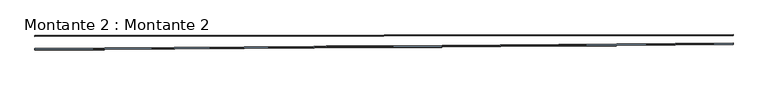
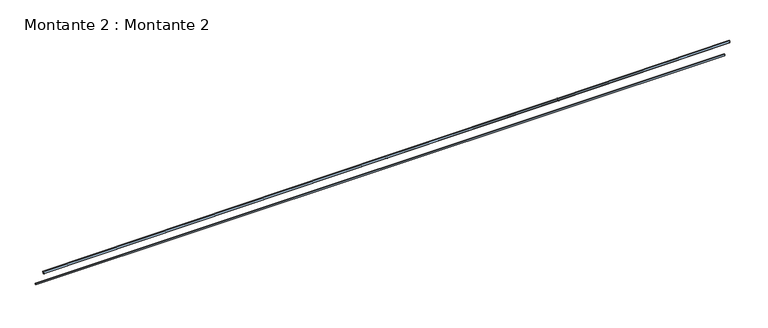
"""IFC4 building model written with IfcOpenShell, lengths in millimetres: window geometry, Montante 2 : Montante 2."""

from ifc_helpers import new_model, si_unit, frame, origin, place, context, project, spatial, polyline, outline, extrude, source, transform, mapped, element, save
from ifc_brep_helpers import plane_surface, spline_curve, spline_surface, advanced_brep


def montante_2_montante_2_e7855387(model_context):
    return source(origin(), model_context, "Body", "SolidModel", [
        advanced_brep(
        [(-98030.5090229, 122267.3747173, 13644.1087591), (-98030.3189738, 122243.1977687, 13649.1045881), (-98029.947675, 122199.1081323, 13693.1952817), (-98030.0410749, 122220.8565686, 13798.4487999), (-98030.6321925, 122296.0551032, 13782.9100723), (-55593.3175227, 122597.1178575, 13613.8486548), (-55593.4391172, 122625.7982558, 13752.6499668), (-55592.8363835, 122550.5998118, 13768.188686), (-55592.744178, 122528.8513661, 13662.9351687), (-55593.1237388, 122572.9409381, 13618.8444811)],
        [
            (0, 1),
            (1, 2),
            (2, 3),
            (3, 4),
            (4, 0),
            (5, 6),
            (6, 7),
            (7, 8),
            (8, 9),
            (9, 5),
            (0, 5, spline_curve(3, [(-98030.5090229, 122267.3747173, 13644.1087591), (-90957.639048641, 122321.93998578, 13639.110311702), (-83884.769754447, 122376.61130605, 13634.131865206), (-73275.470296277, 122458.935969925, 13626.636240847), (-69739.037889866, 122486.43047136, 13624.133041582), (-62666.175670934, 122541.62212984, 13619.062232018), (-59129.745856771, 122569.319286333, 13616.494622882), (-55593.3175227, 122597.1178575, 13613.8486548)], [4, 2, 2, 4], [0.0, 69.61693773750903, 104.42540660626355, 139.23387547501807])),
            (9, 1, spline_curve(3, [(-55593.1237388, 122572.9409381, 13618.8444811), (-59129.552615883, 122545.142362292, 13621.490450342), (-62665.982960422, 122517.445201821, 13624.058059518), (-69738.846095978, 122462.253536379, 13629.128869082), (-73275.278887465, 122434.759031946, 13631.632069047), (-83884.57922977, 122352.434361108, 13639.127693406), (-90957.448746599, 122297.763039501, 13644.106140702), (-98030.3189738, 122243.1977687, 13649.1045881)], [4, 2, 2, 4], [0.0, 34.80846886875452, 69.61693773750903, 139.23387547501807])),
            (8, 2, spline_curve(3, [(-55592.744178, 122528.8513661, 13662.9351687), (-59129.174560911, 122501.052778241, 13665.581138316), (-62665.606227282, 122473.355607963, 13668.14874966), (-69738.471485718, 122418.163925437, 13673.21955994), (-73274.90507522, 122390.669414325, 13675.722760994), (-83884.20718166, 122308.344731851, 13683.218386412), (-90957.077037495, 122253.673406172, 13688.196833596), (-98029.947675, 122199.1081323, 13693.1952817)], [4, 2, 2, 4], [0.0, 34.80847378881893, 69.61694757763786, 139.23389515527572])),
            (7, 3, spline_curve(3, [(-55592.8363835, 122550.5998118, 13768.188686), (-59129.267893726, 122522.801215042, 13770.834657071), (-62665.70019935, 122495.104039477, 13773.402268177), (-69738.56604625, 122439.912353123, 13778.473079023), (-73274.999586244, 122412.417842401, 13780.976279616), (-83884.301388412, 122330.093161198, 13788.471905869), (-90957.17083517, 122275.421839269, 13793.450351239), (-98030.0410749, 122220.8565686, 13798.4487999)], [4, 2, 2, 4], [0.0, 34.80847766705443, 69.61695533410887, 139.23391066821773])),
            (6, 4, spline_curve(3, [(-55593.4391172, 122625.7982558, 13752.6499668), (-59129.868937762, 122597.999672898, 13755.295936386), (-62666.299594169, 122570.302509367, 13757.863545789), (-69739.162590831, 122515.110846033, 13762.934356011), (-73275.594930639, 122487.616344451, 13765.437555883), (-83884.893989022, 122405.291683798, 13772.933177735), (-90957.762742347, 122350.620367169, 13777.911624253), (-98030.6321925, 122296.0551032, 13782.9100723)], [4, 2, 2, 4], [0.0, 34.80847339292934, 69.61694678585869, 139.23389357171737])),
        ],
        [
            plane_surface(frame((-98029.9978904, 122210.800927, 13749.7836155), z_axis=(-0.9999699931180485, -0.007714496649101021, 0.0007066858859346769), x_axis=(0.007746796982648387, -0.9958006100314106, 0.09122024006535076))),
            plane_surface(frame((-55592.7937512, 122540.5441657, 13719.523502), z_axis=(0.9999688267645346, 0.007860389653188759, -0.0007481802327012081), x_axis=(0.007895866925581843, -0.9957994490355011, 0.09122013256998684))),
            spline_surface(3, 3, [[(-98030.5090229, 122267.3747173, 13644.1087591), (-98030.493185469, 122265.359971586, 13644.525078182), (-98030.477348131, 122263.345225914, 13644.941397218), (-98030.445673269, 122259.315734486, 13645.774035382), (-98030.429835831, 122257.300988714, 13646.190354518), (-98030.398160969, 122253.271497286, 13647.022992682), (-98030.382323531, 122251.256751614, 13647.439311718), (-98030.350648669, 122247.227260186, 13648.271949882), (-98030.334811231, 122245.212514414, 13648.688269018), (-98030.3189738, 122243.1977687, 13649.1045881)], [(-90957.639049362, 122321.939986344, 13639.110311729), (-90957.623190757, 122319.925240793, 13639.526630796), (-90957.607332246, 122317.910495285, 13639.942949817), (-90957.575615036, 122313.881004183, 13640.775587951), (-90957.559756424, 122311.866258575, 13641.191907072), (-90957.528039214, 122307.836767473, 13642.024545206), (-90957.512180603, 122305.822021965, 13642.440864227), (-90957.480463393, 122301.792530863, 13643.273502361), (-90957.464604781, 122299.777785255, 13643.689821483), (-90957.448746176, 122297.763039704, 13644.106140549)], [(-83884.769754824, 122376.611306354, 13634.13186448), (-83884.753872698, 122374.596560985, 13634.54818353), (-83884.738005569, 122372.581815482, 13634.964502634), (-83884.706241318, 122368.552324743, 13635.797140735), (-83884.690374189, 122366.53757924, 13636.213459738), (-83884.658609938, 122362.508088502, 13637.046097839), (-83884.642742809, 122360.493343098, 13637.462416943), (-83884.610978557, 122356.46385236, 13638.295055043), (-83884.595111329, 122354.449106857, 13638.711374047), (-83884.579229203, 122352.434361487, 13639.127693098)], [(-73275.470296088, 122458.935969773, 13626.63624121), (-73275.454347892, 122456.921224916, 13627.052560213), (-73275.438392225, 122454.9064801, 13627.468879255), (-73275.406495832, 122450.876990387, 13628.301517261), (-73275.390540165, 122448.862245571, 13628.717836202), (-73275.358643772, 122444.832755858, 13629.550474209), (-73275.342688105, 122442.818011142, 13629.96679325), (-73275.310791712, 122438.788521429, 13630.799431257), (-73275.294835945, 122436.773776613, 13631.215750198), (-73275.278887749, 122434.759031756, 13631.632069201)], [(-69739.037890348, 122486.430471476, 13624.133041346), (-69739.021909162, 122484.415726875, 13624.549360326), (-69739.005923056, 122482.400982282, 13624.965679349), (-69738.973960685, 122478.371493082, 13625.798317309), (-69738.95797448, 122476.356748589, 13626.214636232), (-69738.926012109, 122472.327259388, 13627.047274192), (-69738.910026003, 122470.312514795, 13627.463593215), (-69738.878063632, 122466.283025594, 13628.296231175), (-69738.862077426, 122464.268281002, 13628.712550198), (-69738.846096241, 122462.253536401, 13629.128869178)], [(-62666.175670452, 122541.622129724, 13619.062232254), (-62666.159609607, 122539.607385746, 13619.478551176), (-62666.143553774, 122537.592641697, 13619.894870148), (-62666.111432084, 122533.563153739, 13620.727507993), (-62666.095376151, 122531.54840979, 13621.143826866), (-62666.063254461, 122527.518921833, 13621.97646471), (-62666.047198627, 122525.504177784, 13622.392783683), (-62666.015076937, 122521.474689826, 13623.225421527), (-62665.999021004, 122519.459945778, 13623.6417405), (-62665.982960159, 122517.445201799, 13624.058059422)], [(-59129.74585635, 122569.319286246, 13616.494623057), (-59129.729752959, 122567.3045426, 13616.910941948), (-59129.713649525, 122565.289799024, 13617.327260768), (-59129.681442744, 122561.260311732, 13618.15989855), (-59129.66533931, 122559.245568057, 13618.576217469), (-59129.633132529, 122555.216080765, 13619.408855251), (-59129.617029195, 122553.201337089, 13619.825174171), (-59129.584822414, 122549.171849798, 13620.657811953), (-59129.56871898, 122547.157106222, 13621.074130872), (-59129.552615589, 122545.142362576, 13621.490449763)], [(-55593.3175227, 122597.1178575, 13613.8486548), (-55593.301374048, 122595.10311421, 13614.264973657), (-55593.285225352, 122593.08837099, 13614.681292443), (-55593.252928048, 122589.05888441, 13615.513930157), (-55593.236779352, 122587.04414109, 13615.930249043), (-55593.204482048, 122583.01465451, 13616.762886757), (-55593.188333452, 122580.99991119, 13617.179205643), (-55593.156036148, 122576.97042461, 13618.011843357), (-55593.139887452, 122574.95568139, 13618.428162243), (-55593.1237388, 122572.9409381, 13618.8444811)]], [4, 2, 2, 4], [4, 2, 2, 2, 4], [0.0, 69.61693773750903, 104.42540660626355, 139.23387547501807], [0.0, 0.02024970801959495, 0.0404994160391899, 0.06074912405878485, 0.0809988320783798]),
            spline_surface(3, 3, [[(-98030.3189738, 122243.1977687, 13649.1045881), (-98030.288032236, 122239.523632334, 13652.778812569), (-98030.257090664, 122235.849495966, 13656.453037031), (-98030.195207536, 122228.501223234, 13663.801485969), (-98030.164265964, 122224.827086866, 13667.475710431), (-98030.102382836, 122217.478814134, 13674.824159369), (-98030.071441264, 122213.804677766, 13678.498383831), (-98030.009558136, 122206.456405034, 13685.846832769), (-98029.978616564, 122202.782268666, 13689.521057231), (-98029.947675, 122199.1081323, 13693.1952817)], [(-90957.448746176, 122297.763039704, 13644.106140549), (-90957.417770477, 122294.088903602, 13647.780364994), (-90957.386794768, 122290.414767497, 13651.454589432), (-90957.324843369, 122283.066495292, 13658.803038321), (-90957.29386766, 122279.392359187, 13662.47726276), (-90957.231916261, 122272.044086982, 13669.825711649), (-90957.200940552, 122268.369950877, 13673.499936088), (-90957.138989153, 122261.021678672, 13680.848384977), (-90957.108013444, 122257.347542567, 13684.522609415), (-90957.077037745, 122253.673406464, 13688.19683386)], [(-83884.579229203, 122352.434361487, 13639.127693098), (-83884.548215339, 122348.760225679, 13642.801917515), (-83884.517231371, 122345.086089613, 13646.476141989), (-83884.455203644, 122337.737817996, 13653.824590824), (-83884.424219576, 122334.06368193, 13657.498815297), (-83884.362191849, 122326.715410313, 13664.847264133), (-83884.331207881, 122323.041274347, 13668.521488506), (-83884.269180153, 122315.69300273, 13675.869937341), (-83884.238196085, 122312.018866664, 13679.544161815), (-83884.207182222, 122308.344730856, 13683.218386232)], [(-73275.278887749, 122434.759031756, 13631.632069201), (-73275.247741652, 122431.084896974, 13635.306293525), (-73275.216580693, 122427.41076228, 13638.980517873), (-73275.154288499, 122420.062492715, 13646.328966521), (-73275.123127441, 122416.388358022, 13650.003190869), (-73275.060835247, 122409.040088457, 13657.351639516), (-73275.029674288, 122405.365953863, 13661.025863764), (-73274.967382095, 122398.017684298, 13668.374312412), (-73274.936221036, 122394.343549605, 13672.04853676), (-73274.905074939, 122390.669414822, 13675.722761084)], [(-69738.846096241, 122462.253536401, 13629.128869178), (-69738.814880864, 122458.579402156, 13632.803093453), (-69738.783658869, 122454.905267978, 13636.477317695), (-69738.721228115, 122447.556999489, 13643.825766244), (-69738.69000612, 122443.88286531, 13647.499990486), (-69738.627575366, 122436.534596821, 13654.848439036), (-69738.596353371, 122432.860462642, 13658.522663278), (-69738.533922617, 122425.512194153, 13665.871111827), (-69738.502700523, 122421.838059974, 13669.545336169), (-69738.471485146, 122418.16392573, 13673.219560444)], [(-62665.982960159, 122517.445201799, 13624.058059422), (-62665.951563586, 122513.771068967, 13627.732283566), (-62665.920173681, 122510.096936098, 13631.406507687), (-62665.857380535, 122502.748670435, 13638.754955974), (-62665.82599063, 122499.074537566, 13642.429180095), (-62665.763197483, 122491.726271903, 13649.777628383), (-62665.731807579, 122488.052139034, 13653.451852504), (-62665.669014432, 122480.703873371, 13660.800300791), (-62665.637624428, 122477.029740502, 13664.474525012), (-62665.606227854, 122473.35560767, 13668.148749156)], [(-59129.552615589, 122545.142362576, 13621.490449763), (-59129.521110984, 122541.468230589, 13625.164673828), (-59129.489606387, 122537.794098604, 13628.83889788), (-59129.426597177, 122530.445834631, 13636.18734601), (-59129.39509258, 122526.771702646, 13639.861570062), (-59129.33208337, 122519.423438672, 13647.210018192), (-59129.300578773, 122515.749306687, 13650.884242243), (-59129.237569563, 122508.401042713, 13658.232690373), (-59129.206064966, 122504.726910728, 13661.906914425), (-59129.174560361, 122501.052778741, 13665.58113849)], [(-55593.1237388, 122572.9409381, 13618.8444811), (-55593.092108731, 122569.266807099, 13622.518705071), (-55593.060478669, 122565.592676101, 13626.192929029), (-55592.997218531, 122558.244414099, 13633.541376971), (-55592.965588469, 122554.570283101, 13637.215600929), (-55592.902328331, 122547.222021099, 13644.564048871), (-55592.870698269, 122543.547890101, 13648.238272829), (-55592.807438131, 122536.199628099, 13655.586720771), (-55592.775808069, 122532.525497101, 13659.260944729), (-55592.744178, 122528.8513661, 13662.9351687)]], [4, 2, 2, 4], [4, 2, 2, 2, 4], [0.0, 69.61694757763786, 104.42542136645679, 139.23389515527572], [0.0, 0.05114338485772118, 0.10228676971544236, 0.15343015457316353, 0.20457353943088472]),
            spline_surface(3, 3, [[(-98029.947675, 122199.1081323, 13693.1952817), (-98029.955458322, 122200.920501992, 13701.966408219), (-98029.963241678, 122202.732871708, 13710.737534781), (-98029.978808322, 122206.357611092, 13728.279787819), (-98029.986591578, 122208.169980808, 13737.050914281), (-98030.002158222, 122211.794720192, 13754.593167319), (-98030.009941578, 122213.607089908, 13763.364293881), (-98030.025508222, 122217.231829292, 13780.906546919), (-98030.033291578, 122219.044198908, 13789.677673381), (-98030.0410749, 122220.8565686, 13798.4487999)], [(-90957.077037745, 122253.673406464, 13688.19683386), (-90957.08485416, 122255.485775901, 13696.967960402), (-90957.09267061, 122257.298145362, 13705.739086988), (-90957.108303441, 122260.922884235, 13723.281340072), (-90957.11611979, 122262.735253696, 13732.052466558), (-90957.131752621, 122266.359992569, 13749.594719642), (-90957.139569071, 122268.17236203, 13758.365846228), (-90957.155201902, 122271.797100904, 13775.908099312), (-90957.163018351, 122273.609470264, 13784.679225798), (-90957.170834767, 122275.421839701, 13793.45035234)], [(-83884.207182222, 122308.344730856, 13683.218386232), (-83884.215034633, 122310.157100014, 13691.9895128), (-83884.222881484, 122311.969469194, 13700.760639329), (-83884.238586306, 122315.594207511, 13718.302892463), (-83884.246433158, 122317.40657669, 13727.074019092), (-83884.26213798, 122321.031315008, 13744.616272227), (-83884.269984831, 122322.843684287, 13753.387398756), (-83884.285689653, 122326.468422604, 13770.92965189), (-83884.293536505, 122328.280791784, 13779.700778419), (-83884.301388916, 122330.093160942, 13788.471904987)], [(-73274.905074939, 122390.669414822, 13675.722761084), (-73274.912949936, 122392.481783805, 13684.493887667), (-73274.920827706, 122394.294152741, 13693.265014218), (-73274.936577699, 122397.918890706, 13710.807267386), (-73274.944455469, 122399.731259643, 13719.578394037), (-73274.960205462, 122403.355997608, 13737.120647204), (-73274.968083232, 122405.168366645, 13745.891773755), (-73274.983833226, 122408.79310461, 13763.434026922), (-73274.991710995, 122410.605473546, 13772.205153473), (-73274.999585992, 122412.417842529, 13780.976280057)], [(-69738.471485146, 122418.16392573, 13673.219560444), (-69738.479361202, 122419.976294703, 13681.990687028), (-69738.487249318, 122421.788663585, 13690.761813612), (-69738.503001431, 122425.413401531, 13708.304066781), (-69738.510889548, 122427.225770413, 13717.075193364), (-69738.526641661, 122430.85050836, 13734.617446533), (-69738.534529777, 122432.662877242, 13743.388573116), (-69738.55028189, 122436.287615188, 13760.930826285), (-69738.558169906, 122438.09998407, 13769.701952868), (-69738.566045963, 122439.912353044, 13778.473079452)], [(-62665.606227854, 122473.35560767, 13668.148749156), (-62665.614062848, 122475.167976962, 13676.919875712), (-62665.621885831, 122476.980346351, 13685.691002248), (-62665.637555819, 122480.605084933, 13703.23325536), (-62665.645378802, 122482.417454322, 13712.004381896), (-62665.66104879, 122486.042192905, 13729.546635007), (-62665.668871773, 122487.854562294, 13738.317761544), (-62665.684541761, 122491.479300876, 13755.860014655), (-62665.692364643, 122493.291670265, 13764.631141192), (-62665.700199637, 122495.104039556, 13773.402267748)], [(-59129.174560361, 122501.052778741, 13665.58113849), (-59129.182338111, 122502.865148478, 13674.352265005), (-59129.190115879, 122504.677518189, 13683.123391486), (-59129.20567138, 122508.302257663, 13700.665644516), (-59129.213449147, 122510.114627373, 13709.436771097), (-59129.229004648, 122513.739366847, 13726.979024126), (-59129.236782316, 122515.551736557, 13735.750150608), (-59129.252337817, 122519.176476031, 13753.292403637), (-59129.260115584, 122520.988845842, 13762.063530119), (-59129.267893335, 122522.801215579, 13770.834656633)], [(-55592.744178, 122528.8513661, 13662.9351687), (-55592.751861794, 122530.663736576, 13671.706295145), (-55592.759545606, 122532.476107024, 13680.477421555), (-55592.774913194, 122536.100847976, 13698.019674445), (-55592.782597006, 122537.913218424, 13706.790800955), (-55592.797964594, 122541.537959376, 13724.333053845), (-55592.805648306, 122543.350329824, 13733.104180255), (-55592.821015894, 122546.975070776, 13750.646433145), (-55592.828699706, 122548.787441324, 13759.417559555), (-55592.8363835, 122550.5998118, 13768.188686)]], [4, 2, 2, 4], [4, 2, 2, 2, 4], [0.0, 69.61695533410887, 104.4254330011633, 139.23391066821773], [0.0, 0.08815371030587929, 0.17630742061175858, 0.2644611309176379, 0.35261484122351716]),
            spline_surface(3, 3, [[(-98030.0410749, 122220.8565686, 13798.4487999), (-98030.090334698, 122227.123113146, 13797.153905933), (-98030.139594502, 122233.389657754, 13795.859011967), (-98030.238114098, 122245.922746846, 13793.269224033), (-98030.287373902, 122252.189291354, 13791.974330067), (-98030.385893498, 122264.722380446, 13789.384542133), (-98030.435153302, 122270.988925054, 13788.089648167), (-98030.533672898, 122283.522014146, 13785.499860233), (-98030.582932702, 122289.788558654, 13784.204966267), (-98030.6321925, 122296.0551032, 13782.9100723)], [(-90957.170834767, 122275.421839701, 13793.45035234), (-90957.220160423, 122281.688383739, 13792.15545842), (-90957.269486084, 122287.954927839, 13790.860564501), (-90957.368137396, 122300.488015914, 13788.270776659), (-90957.417463057, 122306.754559914, 13786.97588274), (-90957.51611437, 122319.28764799, 13784.386094899), (-90957.565440031, 122325.55419209, 13783.09120098), (-90957.664091343, 122338.087280166, 13780.501413139), (-90957.713417004, 122344.353824166, 13779.20651922), (-90957.76274266, 122350.620368204, 13777.911625299)], [(-83884.301388916, 122330.093160942, 13788.471904987), (-83884.35078773, 122336.359704416, 13787.177011117), (-83884.400140009, 122342.62624822, 13785.882117231), (-83884.498937637, 122355.159335167, 13783.292329492), (-83884.548289817, 122361.425878971, 13781.997435607), (-83884.647087444, 122373.958965918, 13779.407647868), (-83884.696439724, 122380.225509822, 13778.112753982), (-83884.795237352, 122392.758596769, 13775.522966243), (-83884.844589532, 122399.025140573, 13774.228072357), (-83884.893988345, 122405.291684047, 13772.933178487)], [(-73274.999585992, 122412.417842529, 13780.976280057), (-73275.049190309, 122418.684384408, 13779.681386333), (-73275.098817972, 122424.950926074, 13778.386492643), (-73275.198026605, 122437.484009832, 13775.796705195), (-73275.247654168, 122443.750551499, 13774.501811505), (-73275.346862801, 122456.283635257, 13771.912024058), (-73275.396490465, 122462.550177023, 13770.617130368), (-73275.495699098, 122475.083260781, 13768.02734292), (-73275.545326661, 122481.349802448, 13766.73244923), (-73275.594930977, 122487.616344327, 13765.437555506)], [(-69738.566045963, 122439.912353044, 13778.473079452), (-69738.615752886, 122446.178894125, 13777.178185801), (-69738.665475333, 122452.445435041, 13775.883292145), (-69738.76488918, 122464.978517205, 13773.293504844), (-69738.814611526, 122471.24505822, 13771.998611187), (-69738.914025373, 122483.778140384, 13769.408823886), (-69738.96374772, 122490.0446813, 13768.113930329), (-69739.063161567, 122502.577763463, 13765.524143028), (-69739.112883913, 122508.844304479, 13764.229249371), (-69739.162590837, 122515.110845561, 13762.934355721)], [(-62665.700199637, 122495.104039556, 13773.402267748), (-62665.750154329, 122501.370578705, 13772.107374277), (-62665.800093652, 122507.637117928, 13770.812480777), (-62665.900003035, 122520.170196226, 13768.222693834), (-62665.949942259, 122526.436735549, 13766.927800335), (-62666.049851642, 122538.969813847, 13764.338013392), (-62666.099790865, 122545.23635307, 13763.043119993), (-62666.199700248, 122557.769431367, 13760.45333305), (-62666.249639472, 122564.03597069, 13759.158439551), (-62666.299594163, 122570.302509839, 13757.863546079)], [(-59129.267893335, 122522.801215579, 13770.834656633), (-59129.317980358, 122529.067753692, 13769.539763259), (-59129.368067375, 122535.334291786, 13768.244869892), (-59129.468241421, 122547.867368011, 13765.655083143), (-59129.518328438, 122554.133906106, 13764.360189776), (-59129.618502484, 122566.666982331, 13761.770403027), (-59129.668589501, 122572.933520425, 13760.47550966), (-59129.768763547, 122585.466596651, 13757.885722911), (-59129.818850664, 122591.733134745, 13756.590829544), (-59129.868937687, 122597.999672858, 13755.295936169)], [(-55592.8363835, 122550.5998118, 13768.188686), (-55592.886611302, 122556.866348806, 13766.893792731), (-55592.936839098, 122563.132885794, 13765.598899469), (-55593.037294702, 122575.665959806, 13763.009112931), (-55593.087522498, 122581.932496794, 13761.714219669), (-55593.187978102, 122594.465570806, 13759.124433131), (-55593.238205898, 122600.732107794, 13757.829539869), (-55593.338661502, 122613.265181806, 13755.239753331), (-55593.388889398, 122619.531718794, 13753.944860069), (-55593.4391172, 122625.7982558, 13752.6499668)]], [4, 2, 2, 4], [4, 2, 2, 2, 4], [0.0, 69.61694678585869, 104.42542017878803, 139.23389357171737], [0.0, 0.06298348047613676, 0.12596696095227353, 0.18895044142841028, 0.25193392190454705]),
            spline_surface(3, 3, [[(-98030.6321925, 122296.0551032, 13782.9100723), (-98030.621928374, 122293.665071042, 13771.343296198), (-98030.611664226, 122291.275038858, 13759.776520102), (-98030.591135974, 122286.494974542, 13736.642967898), (-98030.580871826, 122284.104942358, 13725.076191802), (-98030.560343574, 122279.324878042, 13701.942639598), (-98030.550079426, 122276.934845958, 13690.375863502), (-98030.529551174, 122272.154781642, 13667.242311298), (-98030.519287026, 122269.764749458, 13655.675535202), (-98030.5090229, 122267.3747173, 13644.1087591)], [(-90957.76274266, 122350.620368204, 13777.911625299), (-90957.752434893, 122348.230336382, 13766.344849166), (-90957.742127103, 122345.840304535, 13754.778073039), (-90957.721511569, 122341.060240892, 13731.644520774), (-90957.711203778, 122338.670209045, 13720.077744646), (-90957.690588244, 122333.890145402, 13696.944192381), (-90957.680280454, 122331.500113655, 13685.377416254), (-90957.65966492, 122326.720050012, 13662.243863989), (-90957.649357129, 122324.330018166, 13650.677087861), (-90957.639049362, 122321.939986344, 13639.110311729)], [(-83884.893988345, 122405.291684047, 13772.933178487), (-83884.88363311, 122402.901652592, 13761.366402322), (-83884.873285175, 122400.511621078, 13749.799626101), (-83884.852574704, 122395.731558169, 13726.66607377), (-83884.84222687, 122393.341526655, 13715.09929765), (-83884.821516399, 122388.561463746, 13691.965745318), (-83884.811168465, 122386.171432232, 13680.398969098), (-83884.790457994, 122381.391369323, 13657.265416766), (-83884.780110059, 122379.001337809, 13645.698640646), (-83884.769754824, 122376.611306354, 13634.13186448)], [(-73275.594930977, 122487.616344327, 13765.437555506), (-73275.584545957, 122485.226313104, 13753.870779319), (-73275.57415725, 122482.83628191, 13742.304003069), (-73275.55338721, 122478.056219466, 13719.170450695), (-73275.542998603, 122475.666188272, 13707.603674545), (-73275.522228563, 122470.886125827, 13684.470122171), (-73275.511839856, 122468.496094634, 13672.903345921), (-73275.491069815, 122463.716032189, 13649.769793547), (-73275.480681108, 122461.326000995, 13638.203017397), (-73275.470296088, 122458.935969773, 13626.63624121)], [(-69739.162590837, 122515.110845561, 13762.934355721), (-69739.152204419, 122512.720814351, 13751.367579532), (-69739.141802157, 122510.330783225, 13739.800803341), (-69739.121029322, 122505.550720804, 13716.667250964), (-69739.11062706, 122503.160689678, 13705.100474772), (-69739.089854225, 122498.380627258, 13681.966922395), (-69739.079451962, 122495.990596232, 13670.400146103), (-69739.058679128, 122491.210533812, 13647.266593727), (-69739.048276765, 122488.820502686, 13635.699817535), (-69739.037890348, 122486.430471476, 13624.133041346)], [(-62666.299594163, 122570.302509839, 13757.863546079), (-62666.289261896, 122567.91247821, 13746.296769929), (-62666.278945528, 122565.522446415, 13734.729993798), (-62666.258280993, 122560.742383156, 13711.596441498), (-62666.247964625, 122558.352351361, 13700.029665367), (-62666.227300091, 122553.572288102, 13676.896113066), (-62666.216983722, 122551.182256408, 13665.329336835), (-62666.196319188, 122546.402193149, 13642.195784535), (-62666.186002719, 122544.012161354, 13630.629008404), (-62666.175670452, 122541.622129724, 13619.062232254)], [(-59129.868937687, 122597.999672858, 13755.295936169), (-59129.858680909, 122595.609640641, 13743.729160073), (-59129.848424055, 122593.219608497, 13732.162383988), (-59129.827910499, 122588.439544062, 13709.028831795), (-59129.817653746, 122586.049511819, 13697.46205571), (-59129.79714019, 122581.269447384, 13674.328503517), (-59129.786883437, 122578.879415141, 13662.761727432), (-59129.766369881, 122574.099350706, 13639.628175238), (-59129.756113128, 122571.709318463, 13628.061399154), (-59129.74585635, 122569.319286246, 13616.494623057)], [(-55593.4391172, 122625.7982558, 13752.6499668), (-55593.428984325, 122623.408222609, 13741.083190796), (-55593.418851375, 122621.018189491, 13729.516414804), (-55593.398585625, 122616.238123109, 13706.382862796), (-55593.388452775, 122613.848089891, 13694.816086804), (-55593.368187025, 122609.068023509, 13671.682534796), (-55593.358054175, 122606.677990291, 13660.115758804), (-55593.337788425, 122601.897923909, 13636.982206796), (-55593.327655575, 122599.507890691, 13625.415430804), (-55593.3175227, 122597.1178575, 13613.8486548)]], [4, 2, 2, 4], [4, 2, 2, 2, 4], [0.0, 69.6169359660937, 104.42540394914056, 139.2338719321874], [0.0, 0.11625122810258279, 0.23250245620516558, 0.34875368430774834, 0.46500491241033115]),
        ],
        [
            (0, [[1, 2, 3, 4, 5]]),
            (1, [[6, 7, 8, 9, 10]]),
            (2, [[-1, 11, -10, 12]]),
            (3, [[-2, -12, -9, 13]]),
            (4, [[-3, -13, -8, 14]]),
            (5, [[-4, -14, -7, 15]]),
            (6, [[-5, -15, -6, -11]]),
        ],
    ),
        extrude(outline(polyline([(0.0, -57.7866947), (0.0, 0.0), (42437.2985665, 0.0), (42437.2985665, -57.7866946), (0.0, -57.7866947)])), frame((-98029.9359589, 123087.6804677, 12447.4600697), z_axis=(-0.0010598000286060482, 8.965537805888815e-09, 0.9999994384117921), x_axis=(0.9999986899358883, 0.0012234999433291599, 0.0010597992244014772)), (0.0, 0.0, 1.0), 78.3374803),
    ])


if __name__ == "__main__":
    model = new_model("IFC4")
    model_context = context("Model", 3, world=origin())
    ifc_project = project(units=[si_unit("LENGTHUNIT", "METRE", prefix="MILLI")], contexts=[model_context])
    site = spatial("IfcSite", under=ifc_project)
    building = spatial("IfcBuilding", under=site)
    placement = place(None, origin())
    montante_2_montante_2_shape = montante_2_montante_2_e7855387(model_context)
    element("IfcWindow", 1, ObjectType="Montante 2 : Montante 2", at=placement, inside=building, context=model_context, shape_type="MappedRepresentation", body=[
        mapped(montante_2_montante_2_shape, transform((0.0, 0.0, 0.0), x_axis=(1.0, 0.0, 0.0), y_axis=(0.0, 1.0, 0.0), z_axis=(0.0, 0.0, 1.0))),
    ])
    save(model, "model.ifc")
